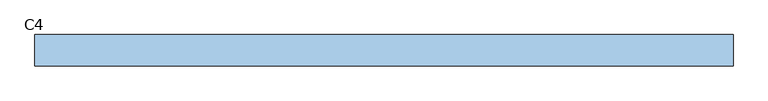
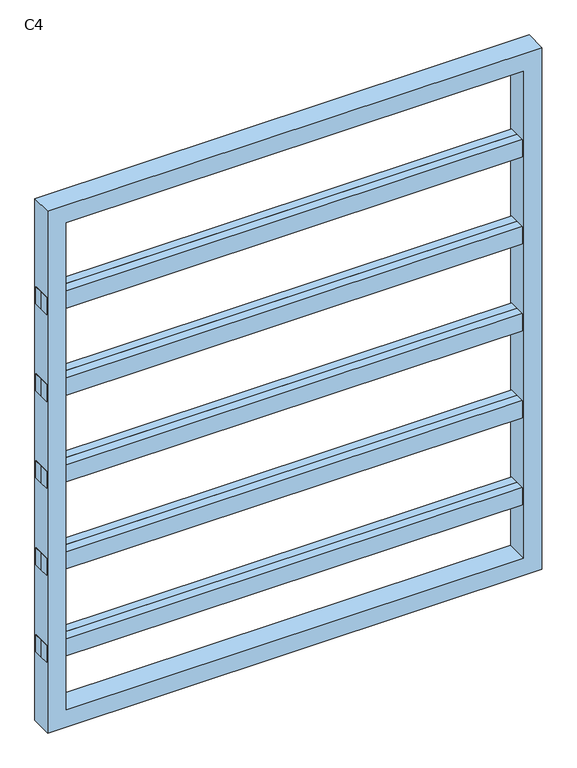
"""IFC4 building model written with IfcOpenShell, lengths in millimetres: window geometry, C4."""

from ifc_helpers import new_model, si_unit, frame, origin, place, context, project, spatial, polyline, outline, extrude, source, transform, mapped, element, save


def c4_489f7c39(model_context):
    return source(origin(), model_context, "Body", "SweptSolid", [
        extrude(outline(polyline([(-671.65, 0.0), (671.65, 0.0), (671.65, -25.0), (-671.65, -25.0), (-671.65, 0.0)])), frame((0.0, 0.0, 1150.0), z_axis=(0.0, 0.0, 1.0), x_axis=(1.0, 0.0, 0.0)), (0.0, 0.0, 1.0), 50.0),
        extrude(outline(polyline([(671.65, 0.0), (-671.65, 0.0), (-671.65, 25.0), (671.65, 25.0), (671.65, 0.0)])), frame((0.0, 0.0, 1150.0), z_axis=(0.0, 0.0, 1.0), x_axis=(1.0, 0.0, 0.0)), (0.0, 0.0, 1.0), 50.0),
        extrude(outline(polyline([(-671.65, 0.0), (671.65, 0.0), (671.65, -25.0), (-671.65, -25.0), (-671.65, 0.0)])), frame((0.0, 0.0, 900.0), z_axis=(0.0, 0.0, 1.0), x_axis=(1.0, 0.0, 0.0)), (0.0, 0.0, 1.0), 50.0),
        extrude(outline(polyline([(671.65, 0.0), (-671.65, 0.0), (-671.65, 25.0), (671.65, 25.0), (671.65, 0.0)])), frame((0.0, 0.0, 900.0), z_axis=(0.0, 0.0, 1.0), x_axis=(1.0, 0.0, 0.0)), (0.0, 0.0, 1.0), 50.0),
        extrude(outline(polyline([(-671.65, 0.0), (671.65, 0.0), (671.65, -25.0), (-671.65, -25.0), (-671.65, 0.0)])), frame((0.0, 0.0, 650.0), z_axis=(0.0, 0.0, 1.0), x_axis=(1.0, 0.0, 0.0)), (0.0, 0.0, 1.0), 50.0),
        extrude(outline(polyline([(671.65, 0.0), (-671.65, 0.0), (-671.65, 25.0), (671.65, 25.0), (671.65, 0.0)])), frame((0.0, 0.0, 650.0), z_axis=(0.0, 0.0, 1.0), x_axis=(1.0, 0.0, 0.0)), (0.0, 0.0, 1.0), 50.0),
        extrude(outline(polyline([(-671.65, 0.0), (671.65, 0.0), (671.65, -25.0), (-671.65, -25.0), (-671.65, 0.0)])), frame((0.0, 0.0, 1400.0), z_axis=(0.0, 0.0, 1.0), x_axis=(1.0, 0.0, 0.0)), (0.0, 0.0, 1.0), 50.0),
        extrude(outline(polyline([(671.65, 0.0), (-671.65, 0.0), (-671.65, 25.0), (671.65, 25.0), (671.65, 0.0)])), frame((0.0, 0.0, 1400.0), z_axis=(0.0, 0.0, 1.0), x_axis=(1.0, 0.0, 0.0)), (0.0, 0.0, 1.0), 50.0),
        extrude(outline(polyline([(-671.65, 0.0), (671.65, 0.0), (671.65, -25.0), (-671.65, -25.0), (-671.65, 0.0)])), frame((0.0, 0.0, 400.0), z_axis=(0.0, 0.0, 1.0), x_axis=(1.0, 0.0, 0.0)), (0.0, 0.0, 1.0), 50.0),
        extrude(outline(polyline([(671.65, 0.0), (-671.65, 0.0), (-671.65, 25.0), (671.65, 25.0), (671.65, 0.0)])), frame((0.0, 0.0, 400.0), z_axis=(0.0, 0.0, 1.0), x_axis=(1.0, 0.0, 0.0)), (0.0, 0.0, 1.0), 50.0),
        extrude(outline(polyline([(1700.0, -671.65), (200.0, -671.65), (200.0, 671.65), (1700.0, 671.65), (1700.0, -671.65)]), holes=[polyline([(1650.0, 621.65), (250.0, 621.65), (250.0, -621.65), (1650.0, -621.65), (1650.0, 621.65)])]), frame((0.0, -30.0, 0.0), z_axis=(0.0, 1.0, 0.0), x_axis=(0.0, 0.0, 1.0)), (0.0, 0.0, 1.0), 60.0),
    ])


if __name__ == "__main__":
    model = new_model("IFC4")
    model_context = context("Model", 3, world=origin())
    ifc_project = project(units=[si_unit("LENGTHUNIT", "METRE", prefix="MILLI")], contexts=[model_context])
    site = spatial("IfcSite", under=ifc_project)
    building = spatial("IfcBuilding", under=site)
    placement = place(None, origin())
    c4_shape = c4_489f7c39(model_context)
    element("IfcWindow", 1, ObjectType="C4", at=placement, inside=building, context=model_context, shape_type="MappedRepresentation", body=[
        mapped(c4_shape, transform((0.0, 0.0, 0.0), x_axis=(1.0, 0.0, 0.0), y_axis=(0.0, 1.0, 0.0), z_axis=(0.0, 0.0, 1.0))),
    ])
    save(model, "model.ifc")
